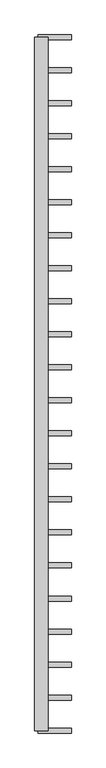
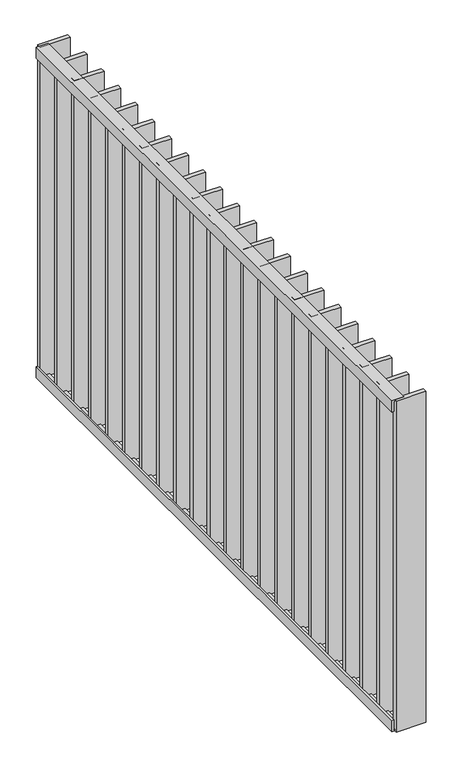
"""IFC4 building model written with IfcOpenShell, lengths in millimetres: railing geometry."""

from ifc_helpers import new_model, si_unit, frame, origin, place, context, project, spatial, polyline, outline, extrude, source, transform, mapped, element, save


def railing_06944c4e(model_context):
    return source(origin(), model_context, "Body", "SweptSolid", [
        extrude(outline(polyline([(7994.0, 30971.9325551), (7994.0, 31005.9325551), (8000.0, 31005.9325551), (8000.0, 30965.9325551), (7960.0, 30965.9325551), (7960.0, 30971.9325551), (7994.0, 30971.9325551)])), frame((0.0, 6109.4012767, 0.0), z_axis=(0.0, 1.0, 0.0), x_axis=(0.0, 0.0, 1.0)), (0.0, 0.0, 1.0), 2080.0),
        extrude(outline(polyline([(6826.0, 30971.9325551), (6860.0, 30971.9325551), (6860.0, 30965.9325551), (6820.0, 30965.9325551), (6820.0, 31005.9325551), (6826.0, 31005.9325551), (6826.0, 30971.9325551)])), frame((0.0, 6109.4012767, 0.0), z_axis=(0.0, 1.0, 0.0), x_axis=(0.0, 0.0, 1.0)), (0.0, 0.0, 1.0), 2080.0),
        extrude(outline(polyline([(30975.9325551, 8082.8536576), (30975.9325551, 8097.8536576), (31075.9325551, 8097.8536576), (31075.9325551, 8082.8536576), (30975.9325551, 8082.8536576)])), frame((0.0, 0.0, 6819.9), z_axis=(0.0, 0.0, 1.0), x_axis=(1.0, 0.0, 0.0)), (0.0, 0.0, 1.0), 1180.2),
        extrude(outline(polyline([(30975.9325551, 7983.8060386), (30975.9325551, 7998.8060386), (31075.9325551, 7998.8060386), (31075.9325551, 7983.8060386), (30975.9325551, 7983.8060386)])), frame((0.0, 0.0, 6819.9), z_axis=(0.0, 0.0, 1.0), x_axis=(1.0, 0.0, 0.0)), (0.0, 0.0, 1.0), 1180.2),
        extrude(outline(polyline([(30975.9325551, 7884.7584195), (30975.9325551, 7899.7584195), (31075.9325551, 7899.7584195), (31075.9325551, 7884.7584195), (30975.9325551, 7884.7584195)])), frame((0.0, 0.0, 6819.9), z_axis=(0.0, 0.0, 1.0), x_axis=(1.0, 0.0, 0.0)), (0.0, 0.0, 1.0), 1180.2),
        extrude(outline(polyline([(30975.9325551, 7785.7108005), (30975.9325551, 7800.7108005), (31075.9325551, 7800.7108005), (31075.9325551, 7785.7108005), (30975.9325551, 7785.7108005)])), frame((0.0, 0.0, 6819.9), z_axis=(0.0, 0.0, 1.0), x_axis=(1.0, 0.0, 0.0)), (0.0, 0.0, 1.0), 1180.2),
        extrude(outline(polyline([(30975.9325551, 7686.6631814), (30975.9325551, 7701.6631814), (31075.9325551, 7701.6631814), (31075.9325551, 7686.6631814), (30975.9325551, 7686.6631814)])), frame((0.0, 0.0, 6819.9), z_axis=(0.0, 0.0, 1.0), x_axis=(1.0, 0.0, 0.0)), (0.0, 0.0, 1.0), 1180.2),
        extrude(outline(polyline([(30975.9325551, 7587.6155624), (30975.9325551, 7602.6155624), (31075.9325551, 7602.6155624), (31075.9325551, 7587.6155624), (30975.9325551, 7587.6155624)])), frame((0.0, 0.0, 6819.9), z_axis=(0.0, 0.0, 1.0), x_axis=(1.0, 0.0, 0.0)), (0.0, 0.0, 1.0), 1180.2),
        extrude(outline(polyline([(30975.9325551, 7488.5679433), (30975.9325551, 7503.5679433), (31075.9325551, 7503.5679433), (31075.9325551, 7488.5679433), (30975.9325551, 7488.5679433)])), frame((0.0, 0.0, 6819.9), z_axis=(0.0, 0.0, 1.0), x_axis=(1.0, 0.0, 0.0)), (0.0, 0.0, 1.0), 1180.2),
        extrude(outline(polyline([(30975.9325551, 7389.5203243), (30975.9325551, 7404.5203243), (31075.9325551, 7404.5203243), (31075.9325551, 7389.5203243), (30975.9325551, 7389.5203243)])), frame((0.0, 0.0, 6819.9), z_axis=(0.0, 0.0, 1.0), x_axis=(1.0, 0.0, 0.0)), (0.0, 0.0, 1.0), 1180.2),
        extrude(outline(polyline([(30975.9325551, 7290.4727052), (30975.9325551, 7305.4727052), (31075.9325551, 7305.4727052), (31075.9325551, 7290.4727052), (30975.9325551, 7290.4727052)])), frame((0.0, 0.0, 6819.9), z_axis=(0.0, 0.0, 1.0), x_axis=(1.0, 0.0, 0.0)), (0.0, 0.0, 1.0), 1180.2),
        extrude(outline(polyline([(30975.9325551, 7191.4250862), (30975.9325551, 7206.4250862), (31075.9325551, 7206.4250862), (31075.9325551, 7191.4250862), (30975.9325551, 7191.4250862)])), frame((0.0, 0.0, 6819.9), z_axis=(0.0, 0.0, 1.0), x_axis=(1.0, 0.0, 0.0)), (0.0, 0.0, 1.0), 1180.2),
        extrude(outline(polyline([(30975.9325551, 7092.3774671), (30975.9325551, 7107.3774671), (31075.9325551, 7107.3774671), (31075.9325551, 7092.3774671), (30975.9325551, 7092.3774671)])), frame((0.0, 0.0, 6819.9), z_axis=(0.0, 0.0, 1.0), x_axis=(1.0, 0.0, 0.0)), (0.0, 0.0, 1.0), 1180.2),
        extrude(outline(polyline([(30975.9325551, 6993.3298481), (30975.9325551, 7008.3298481), (31075.9325551, 7008.3298481), (31075.9325551, 6993.3298481), (30975.9325551, 6993.3298481)])), frame((0.0, 0.0, 6819.9), z_axis=(0.0, 0.0, 1.0), x_axis=(1.0, 0.0, 0.0)), (0.0, 0.0, 1.0), 1180.2),
        extrude(outline(polyline([(30975.9325551, 6894.282229), (30975.9325551, 6909.282229), (31075.9325551, 6909.282229), (31075.9325551, 6894.282229), (30975.9325551, 6894.282229)])), frame((0.0, 0.0, 6819.9), z_axis=(0.0, 0.0, 1.0), x_axis=(1.0, 0.0, 0.0)), (0.0, 0.0, 1.0), 1180.2),
        extrude(outline(polyline([(30975.9325551, 6795.23461), (30975.9325551, 6810.23461), (31075.9325551, 6810.23461), (31075.9325551, 6795.23461), (30975.9325551, 6795.23461)])), frame((0.0, 0.0, 6819.9), z_axis=(0.0, 0.0, 1.0), x_axis=(1.0, 0.0, 0.0)), (0.0, 0.0, 1.0), 1180.2),
        extrude(outline(polyline([(30975.9325551, 6696.1869909), (30975.9325551, 6711.1869909), (31075.9325551, 6711.1869909), (31075.9325551, 6696.1869909), (30975.9325551, 6696.1869909)])), frame((0.0, 0.0, 6819.9), z_axis=(0.0, 0.0, 1.0), x_axis=(1.0, 0.0, 0.0)), (0.0, 0.0, 1.0), 1180.2),
        extrude(outline(polyline([(30975.9325551, 6597.1393719), (30975.9325551, 6612.1393719), (31075.9325551, 6612.1393719), (31075.9325551, 6597.1393719), (30975.9325551, 6597.1393719)])), frame((0.0, 0.0, 6819.9), z_axis=(0.0, 0.0, 1.0), x_axis=(1.0, 0.0, 0.0)), (0.0, 0.0, 1.0), 1180.2),
        extrude(outline(polyline([(30975.9325551, 6498.0917529), (30975.9325551, 6513.0917529), (31075.9325551, 6513.0917529), (31075.9325551, 6498.0917529), (30975.9325551, 6498.0917529)])), frame((0.0, 0.0, 6819.9), z_axis=(0.0, 0.0, 1.0), x_axis=(1.0, 0.0, 0.0)), (0.0, 0.0, 1.0), 1180.2),
        extrude(outline(polyline([(30975.9325551, 6399.0441338), (30975.9325551, 6414.0441338), (31075.9325551, 6414.0441338), (31075.9325551, 6399.0441338), (30975.9325551, 6399.0441338)])), frame((0.0, 0.0, 6819.9), z_axis=(0.0, 0.0, 1.0), x_axis=(1.0, 0.0, 0.0)), (0.0, 0.0, 1.0), 1180.2),
        extrude(outline(polyline([(30975.9325551, 6299.9965148), (30975.9325551, 6314.9965148), (31075.9325551, 6314.9965148), (31075.9325551, 6299.9965148), (30975.9325551, 6299.9965148)])), frame((0.0, 0.0, 6819.9), z_axis=(0.0, 0.0, 1.0), x_axis=(1.0, 0.0, 0.0)), (0.0, 0.0, 1.0), 1180.2),
        extrude(outline(polyline([(30975.9325551, 6200.9488957), (30975.9325551, 6215.9488957), (31075.9325551, 6215.9488957), (31075.9325551, 6200.9488957), (30975.9325551, 6200.9488957)])), frame((0.0, 0.0, 6819.9), z_axis=(0.0, 0.0, 1.0), x_axis=(1.0, 0.0, 0.0)), (0.0, 0.0, 1.0), 1180.2),
        extrude(outline(polyline([(30975.9325551, 8181.9012767), (30975.9325551, 8196.9012767), (31075.9325551, 8196.9012767), (31075.9325551, 8181.9012767), (30975.9325551, 8181.9012767)])), frame((0.0, 0.0, 6819.9), z_axis=(0.0, 0.0, 1.0), x_axis=(1.0, 0.0, 0.0)), (0.0, 0.0, 1.0), 1180.2),
        extrude(outline(polyline([(30975.9325551, 6101.9012767), (30975.9325551, 6116.9012767), (31075.9325551, 6116.9012767), (31075.9325551, 6101.9012767), (30975.9325551, 6101.9012767)])), frame((0.0, 0.0, 6819.9), z_axis=(0.0, 0.0, 1.0), x_axis=(1.0, 0.0, 0.0)), (0.0, 0.0, 1.0), 1180.2),
    ])


if __name__ == "__main__":
    model = new_model("IFC4")
    model_context = context("Model", 3, world=origin())
    ifc_project = project(units=[si_unit("LENGTHUNIT", "METRE", prefix="MILLI")], contexts=[model_context])
    site = spatial("IfcSite", under=ifc_project)
    building = spatial("IfcBuilding", under=site)
    placement = place(None, origin())
    railing_shape = railing_06944c4e(model_context)
    element("IfcRailing", 1, at=placement, inside=building, context=model_context, shape_type="MappedRepresentation", body=[
        mapped(railing_shape, transform((0.0, 0.0, 0.0), x_axis=(1.0, 0.0, 0.0), y_axis=(0.0, 1.0, 0.0), z_axis=(0.0, 0.0, 1.0))),
    ])
    save(model, "model.ifc")
